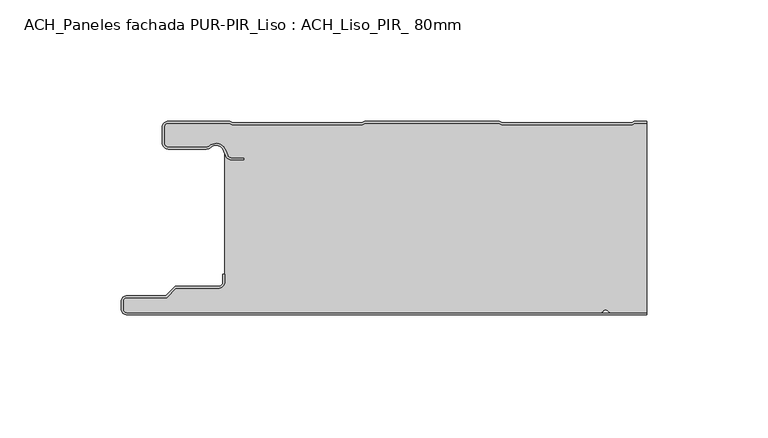
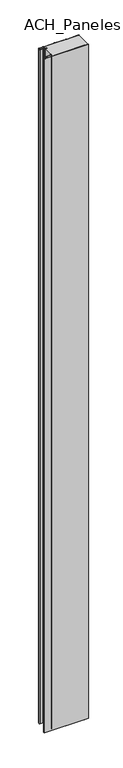
"""IFC4 building model written with IfcOpenShell, lengths in millimetres: plate geometry, ACH_Paneles fachada PUR-PIR_Liso : ACH_Liso_PIR_ 80mm."""

import ifcopenshell
import ifcopenshell.guid

model = None  # the IFC model being written
_history = None  # IfcOwnerHistory: only IFC2X3 demands one
_inside = {}  # id of a spatial element -> (the spatial element, [elements in it])
_under = {}  # id of a project, library or spatial element -> (it, [spatial elements below it])
_declared = {}  # id of a project -> (the project, [libraries it declares])
_typed = {}  # id of a type object -> (the type object, [elements of that type])
_made_of = {}  # id of a material, layer set ... -> (it, [elements and type objects made of it])


def new_model(schema):
    """Start an empty IFC model of exactly this schema.

    Asked for "IFC4X3", IfcOpenShell would pick the latest addendum, in which some entities
    have other attributes; the version numbers below select the first issue.
    IFC2X3 requires an IfcOwnerHistory on every rooted entity: one is made here for all.
    """
    global model, _history
    if schema == "IFC4X3":
        model = ifcopenshell.file(schema_version=(4, 3, 0, 0))
    else:
        model = ifcopenshell.file(schema=schema)
    _inside.clear()
    _under.clear()
    _declared.clear()
    _typed.clear()
    _made_of.clear()
    _history = None
    if model.schema == "IFC2X3":
        org = make("IfcOrganization", Name="unknown")
        user = make(
            "IfcPersonAndOrganization",
            ThePerson=make("IfcPerson", FamilyName="unknown"),
            TheOrganization=org,
        )
        app = make(
            "IfcApplication",
            ApplicationDeveloper=org,
            Version="unknown",
            ApplicationFullName="unknown",
            ApplicationIdentifier="unknown",
        )
        _history = make(
            "IfcOwnerHistory",
            OwningUser=user,
            OwningApplication=app,
            ChangeAction="ADDED",
            CreationDate=0,
        )
    return model


def make(cls, **values):
    """One entity of the class cls with the attributes given. An attribute that is None is left unset."""
    return model.create_entity(
        cls, **{name: value for name, value in values.items() if value is not None}
    )


def rooted(cls, **values):
    """An entity with a GlobalId (a new one), such as an element, a storey or a relation."""
    return make(cls, GlobalId=ifcopenshell.guid.new(), OwnerHistory=_history, **values)


def si_unit(unit_type, name, prefix=None):
    """IfcSIUnit, for example si_unit("LENGTHUNIT", "METRE", prefix="MILLI")."""
    return make("IfcSIUnit", UnitType=unit_type, Prefix=prefix, Name=name)


def assignment(units):
    """IfcUnitAssignment: the units of a project."""
    return None if units is None else make("IfcUnitAssignment", Units=units)


def point(xyz):
    """IfcCartesianPoint."""
    return None if xyz is None else make("IfcCartesianPoint", Coordinates=xyz)


def direction(xyz):
    """IfcDirection."""
    return None if xyz is None else make("IfcDirection", DirectionRatios=xyz)


def frame(location, z_axis=None, x_axis=None):
    """IfcAxis2Placement3D, a coordinate frame: its origin and axes. An axis left out is left unset."""
    return make(
        "IfcAxis2Placement3D",
        Location=point(location),
        Axis=direction(z_axis),
        RefDirection=direction(x_axis),
    )


def frame_2d(location, x_axis=None):
    """IfcAxis2Placement2D, a coordinate frame in the plane: its origin and x axis."""
    return make(
        "IfcAxis2Placement2D", Location=point(location), RefDirection=direction(x_axis)
    )


def origin():
    """The frame at (0, 0, 0) with its axes left unset."""
    return frame((0.0, 0.0, 0.0))


def origin_with_axes():
    """The frame at (0, 0, 0) with the z axis (0, 0, 1) and the x axis (1, 0, 0) written out."""
    return frame((0.0, 0.0, 0.0), z_axis=(0.0, 0.0, 1.0), x_axis=(1.0, 0.0, 0.0))


def place(relative_to, where):
    """IfcLocalPlacement: puts the frame where relative to a parent placement (None: the world)."""
    return make(
        "IfcLocalPlacement", PlacementRelTo=relative_to, RelativePlacement=where
    )


def context(
    kind, dimensions, precision=None, world=None, true_north=None, identifier=None
):
    """IfcGeometricRepresentationContext, for example the 3D "Model" context."""
    return make(
        "IfcGeometricRepresentationContext",
        ContextIdentifier=identifier,
        ContextType=kind,
        CoordinateSpaceDimension=dimensions,
        Precision=precision,
        WorldCoordinateSystem=world,
        TrueNorth=true_north,
    )


def project(units=None, contexts=None):
    """IfcProject with its units and contexts."""
    return rooted(
        "IfcProject",
        Name="project",
        RepresentationContexts=contexts,
        UnitsInContext=assignment(units),
    )


def spatial(cls, under=None, at=None, **own):
    """A site, building, storey or space (cls), placed at a placement, below another one or the project."""
    s = rooted(cls, ObjectPlacement=at, **own)
    if under is not None:
        _under.setdefault(under.id(), (under, []))[1].append(s)
    return s


def polyline(points):
    """IfcPolyline through the points."""
    return make("IfcPolyline", Points=[point(p) for p in points])


def circle_curve(where, radius):
    """IfcCircle in the frame where."""
    return make("IfcCircle", Position=where, Radius=radius)


def trimmed(basis, trim1, trim2, sense, master):
    """IfcTrimmedCurve: the piece of a basis curve between two trims."""
    return make(
        "IfcTrimmedCurve",
        BasisCurve=basis,
        Trim1=trim1,
        Trim2=trim2,
        SenseAgreement=sense,
        MasterRepresentation=master,
    )


def segment(curve, same_sense, transition):
    """IfcCompositeCurveSegment."""
    return make(
        "IfcCompositeCurveSegment",
        Transition=transition,
        SameSense=same_sense,
        ParentCurve=curve,
    )


def composite_curve(segments, self_intersect=None):
    """IfcCompositeCurve: segments joined end to end."""
    return make("IfcCompositeCurve", Segments=segments, SelfIntersect=self_intersect)


def outline(outer, holes=None, kind="AREA"):
    """IfcArbitraryClosedProfileDef: a profile drawn as a closed curve; with holes, ...WithVoids."""
    if holes is None:
        return make("IfcArbitraryClosedProfileDef", ProfileType=kind, OuterCurve=outer)
    return make(
        "IfcArbitraryProfileDefWithVoids",
        ProfileType=kind,
        OuterCurve=outer,
        InnerCurves=holes,
    )


def extrude(swept, where, along, depth):
    """IfcExtrudedAreaSolid: the profile swept, set in the frame where, extruded along a direction by depth."""
    return make(
        "IfcExtrudedAreaSolid",
        SweptArea=swept,
        Position=where,
        ExtrudedDirection=direction(along),
        Depth=depth,
    )


def shape(context_of_items, identifier, shape_type, items):
    """IfcShapeRepresentation: the items that make up one representation, for example the "Body"."""
    return make(
        "IfcShapeRepresentation",
        ContextOfItems=context_of_items,
        RepresentationIdentifier=identifier,
        RepresentationType=shape_type,
        Items=items,
    )


def source(mapping_origin, context_of_items, identifier, shape_type, items):
    """IfcRepresentationMap: a shape defined once, which mapped items show again and again."""
    return make(
        "IfcRepresentationMap",
        MappingOrigin=mapping_origin,
        MappedRepresentation=shape(context_of_items, identifier, shape_type, items),
    )


def transform(
    local_origin,
    x_axis=None,
    y_axis=None,
    z_axis=None,
    scale=None,
    scale2=None,
    scale3=None,
    uniform=True,
):
    """IfcCartesianTransformationOperator3D, or its non-uniform kind. x_axis, y_axis, z_axis: its Axis1, 2, 3."""
    if uniform:
        return make(
            "IfcCartesianTransformationOperator3D",
            Axis1=direction(x_axis),
            Axis2=direction(y_axis),
            LocalOrigin=point(local_origin),
            Scale=scale,
            Axis3=direction(z_axis),
        )
    return make(
        "IfcCartesianTransformationOperator3DnonUniform",
        Axis1=direction(x_axis),
        Axis2=direction(y_axis),
        LocalOrigin=point(local_origin),
        Scale=scale,
        Axis3=direction(z_axis),
        Scale2=scale2,
        Scale3=scale3,
    )


def mapped(mapping_source, mapping_target):
    """IfcMappedItem: shows the shape of a source again, moved by a transform."""
    return make(
        "IfcMappedItem", MappingSource=mapping_source, MappingTarget=mapping_target
    )


def made_of(thing, what):
    """Note that an element or type object is made of a material, layer set ...; save() writes the relation."""
    if what is not None:
        _made_of.setdefault(what.id(), (what, []))[1].append(thing)
    return thing


def element(
    cls,
    number,
    at=None,
    inside=None,
    cuts=None,
    type_object=None,
    material=None,
    context=None,
    identifier="Body",
    shape_type=None,
    held_by="IfcProductDefinitionShape",
    body=None,
    shapes=None,
    **own,
):
    """One element of the class cls, such as IfcWall. Its Tag is "e" and its number.

    at: its placement. inside: the storey or other place that contains it. cuts: it is an
    opening in that element (IfcRelVoidsElement). A single representation is given by context,
    identifier, shape_type and body (its items); several are given by shapes. held_by: the class
    of the entity that holds the representations. save() writes the other relations.
    """
    e = rooted(cls, Tag="e%d" % number, ObjectPlacement=at, **own)
    if body is not None:
        shapes = [shape(context, identifier, shape_type, body)]
    if shapes is not None:
        e.Representation = make(held_by, Representations=shapes)
    if inside is not None:
        _inside.setdefault(inside.id(), (inside, []))[1].append(e)
    if cuts is not None:
        rooted(
            "IfcRelVoidsElement", RelatingBuildingElement=cuts, RelatedOpeningElement=e
        )
    if type_object is not None:
        _typed.setdefault(type_object.id(), (type_object, []))[1].append(e)
    return made_of(e, material)


def aggregate(whole, parts):
    """IfcRelAggregates: a whole, such as a stair, and the parts it consists of."""
    return rooted("IfcRelAggregates", RelatingObject=whole, RelatedObjects=parts)


def save(model, path):
    """Write the relations noted so far, then the file.

    IfcRelAggregates (storeys below a building ...), IfcRelContainedInSpatialStructure (elements
    in a storey), IfcRelDefinesByType, IfcRelAssociatesMaterial and IfcRelDeclares: one each for
    every whole, place, type object, material and project.
    """
    for whole, parts in _under.values():
        aggregate(whole, parts)
    for where, things in _inside.values():
        rooted(
            "IfcRelContainedInSpatialStructure",
            RelatedElements=things,
            RelatingStructure=where,
        )
    for kind, things in _typed.values():
        rooted("IfcRelDefinesByType", RelatedObjects=things, RelatingType=kind)
    for what, things in _made_of.values():
        rooted("IfcRelAssociatesMaterial", RelatedObjects=things, RelatingMaterial=what)
    for by, libraries in _declared.values():
        rooted("IfcRelDeclares", RelatingContext=by, RelatedDefinitions=libraries)
    model.write(path)


def ach_paneles_fachada_pur_pir_liso_ach_liso_pir_80mm_c47096a8(model_context):
    return source(origin(), model_context, "Body", "SweptSolid", [
        extrude(outline(composite_curve([segment(trimmed(circle_curve(frame_2d((-114.5, -77.5)), 2.5), [point((-114.5, -80.0))], [point((-117.0, -77.5))], False, "CARTESIAN"), True, "CONTINUOUS"), segment(polyline([(-117.0, -77.5), (-117.0, -74.5)]), True, "CONTINUOUS"), segment(trimmed(circle_curve(frame_2d((-114.5, -74.5)), 2.5), [point((-117.0, -74.5))], [point((-114.5, -72.0))], False, "CARTESIAN"), True, "CONTINUOUS"), segment(polyline([(-114.5, -72.0), (-98.5, -72.0), (-94.75, -68.25), (-77.0, -68.25)]), True, "CONTINUOUS"), segment(trimmed(circle_curve(frame_2d((-77.0, -66.25)), 2.0), [point((-77.0, -68.25))], [point((-75.0, -66.25))], True, "CARTESIAN"), True, "CONTINUOUS"), segment(polyline([(-75.0, -66.25), (-75.0, -63.25), (-74.2, -63.25), (-74.2, -66.25)]), True, "CONTINUOUS"), segment(trimmed(circle_curve(frame_2d((-77.0, -66.25)), 2.8), [point((-74.2, -66.25))], [point((-77.0, -69.05))], False, "CARTESIAN"), True, "CONTINUOUS"), segment(polyline([(-77.0, -69.05), (-94.4186292, -69.05), (-98.1686292, -72.8), (-114.5, -72.8)]), True, "CONTINUOUS"), segment(trimmed(circle_curve(frame_2d((-114.5, -74.5)), 1.7), [point((-114.5, -72.8))], [point((-116.2, -74.5))], True, "CARTESIAN"), True, "CONTINUOUS"), segment(polyline([(-116.2, -74.5), (-116.2, -77.5)]), True, "CONTINUOUS"), segment(trimmed(circle_curve(frame_2d((-114.5, -77.5)), 1.7), [point((-116.2, -77.5))], [point((-114.5, -79.2))], True, "CARTESIAN"), True, "CONTINUOUS"), segment(polyline([(-114.5, -79.2), (100.0, -79.2), (100.0, -80.0), (-114.5, -80.0)]), True, "CONTINUOUS")], self_intersect=False)), origin_with_axes(), (0.0, 0.0, 1.0), 3500.0),
        extrude(outline(composite_curve([segment(trimmed(circle_curve(frame_2d((-97.49499, -9.0180361)), 2.50501), [point((-97.49499, -11.5230461))], [point((-100.0, -9.0180361))], False, "CARTESIAN"), True, "CONTINUOUS"), segment(polyline([(-100.0, -9.0180361), (-100.0, -2.50501)]), True, "CONTINUOUS"), segment(trimmed(circle_curve(frame_2d((-97.49499, -2.50501)), 2.50501), [point((-100.0, -2.50501))], [point((-97.49499, 0.0))], False, "CARTESIAN"), True, "CONTINUOUS"), segment(polyline([(-97.49499, 0.0), (-72.2103007, 0.0), (-71.028188, -0.6012024), (-17.6391467, -0.6012024), (-16.457034, 0.0), (39.1223647, 0.0), (40.3044773, -0.6012024), (93.6935186, -0.6012024), (94.8756313, 0.0), (100.0, 0.0), (100.0, -0.8), (95.0673777, -0.8), (93.885265, -1.4012024), (40.112731, -1.4012024), (38.9306183, -0.8), (-16.2652876, -0.8), (-17.4474003, -1.4012024), (-71.2199344, -1.4012024), (-72.4020471, -0.8), (-97.49499, -0.8)]), True, "CONTINUOUS"), segment(trimmed(circle_curve(frame_2d((-97.49499, -2.50501)), 1.70501), [point((-97.49499, -0.8))], [point((-99.2, -2.50501))], True, "CARTESIAN"), True, "CONTINUOUS"), segment(polyline([(-99.2, -2.50501), (-99.2, -9.0180361)]), True, "CONTINUOUS"), segment(trimmed(circle_curve(frame_2d((-97.49499, -9.0180361)), 1.70501), [point((-99.2, -9.0180361))], [point((-97.49499, -10.7230461))], True, "CARTESIAN"), True, "CONTINUOUS"), segment(polyline([(-97.49499, -10.7230461), (-81.8173283, -10.7230461)]), True, "CONTINUOUS"), segment(trimmed(circle_curve(frame_2d((-81.8173283, -9.0180361)), 1.70501), [point((-81.8173283, -10.7230461))], [point((-80.6895701, -10.2967936))], True, "CARTESIAN"), True, "CONTINUOUS"), segment(trimmed(circle_curve(frame_2d((-77.8407481, -13.5270541)), 4.307014), [point((-80.6895701, -10.2967936))], [point((-73.7934788, -12.0539686))], False, "CARTESIAN"), True, "CONTINUOUS"), segment(polyline([(-73.7934788, -12.0539686), (-73.0450711, -14.1102019)]), True, "CONTINUOUS"), segment(trimmed(circle_curve(frame_2d((-71.4428858, -13.5270541)), 1.70501), [point((-73.0450711, -14.1102019))], [point((-71.4428858, -15.2320641))], True, "CARTESIAN"), True, "CONTINUOUS"), segment(polyline([(-71.4428858, -15.2320641), (-66.4328657, -15.2320641), (-66.4328657, -16.0320641), (-71.4428858, -16.0320641)]), True, "CONTINUOUS"), segment(trimmed(circle_curve(frame_2d((-71.4428858, -13.5270541)), 2.50501), [point((-71.4428858, -16.0320641))], [point((-73.7968252, -14.383818))], False, "CARTESIAN"), True, "CONTINUOUS"), segment(polyline([(-73.7968252, -14.383818), (-74.5452329, -12.3275847)]), True, "CONTINUOUS"), segment(trimmed(circle_curve(frame_2d((-77.8407481, -13.5270541)), 3.507014), [point((-74.5452329, -12.3275847))], [point((-80.1604199, -10.8967936))], True, "CARTESIAN"), True, "CONTINUOUS"), segment(trimmed(circle_curve(frame_2d((-81.8173283, -9.0180361)), 2.50501), [point((-80.1604199, -10.8967936))], [point((-81.8173283, -11.5230461))], False, "CARTESIAN"), True, "CONTINUOUS"), segment(polyline([(-81.8173283, -11.5230461), (-97.49499, -11.5230461)]), True, "CONTINUOUS")], self_intersect=False)), origin_with_axes(), (0.0, 0.0, 1.0), 3500.0),
        extrude(outline(composite_curve([segment(trimmed(circle_curve(frame_2d((85.5, -77.5)), 1.7), [point((85.5, -79.2))], [point((84.0845596, -78.4415563))], False, "CARTESIAN"), True, "CONTINUOUS"), segment(trimmed(circle_curve(frame_2d((83.0, -79.1630095)), 1.302599), [point((84.0845596, -78.4415563))], [point((81.9154404, -78.4415563))], True, "CARTESIAN"), True, "CONTINUOUS"), segment(trimmed(circle_curve(frame_2d((80.5, -77.5)), 1.7), [point((81.9154404, -78.4415563))], [point((80.5, -79.2))], False, "CARTESIAN"), True, "CONTINUOUS"), segment(polyline([(80.5, -79.2), (-114.5, -79.2)]), True, "CONTINUOUS"), segment(trimmed(circle_curve(frame_2d((-114.5, -77.5)), 1.7), [point((-114.5, -79.2))], [point((-116.2, -77.5))], False, "CARTESIAN"), True, "CONTINUOUS"), segment(polyline([(-116.2, -77.5), (-116.2, -74.5)]), True, "CONTINUOUS"), segment(trimmed(circle_curve(frame_2d((-114.5, -74.5)), 1.7), [point((-116.2, -74.5))], [point((-114.5, -72.8))], False, "CARTESIAN"), True, "CONTINUOUS"), segment(polyline([(-114.5, -72.8), (-98.1686292, -72.8), (-94.4186292, -69.05), (-77.0, -69.05)]), True, "CONTINUOUS"), segment(trimmed(circle_curve(frame_2d((-77.0, -66.25)), 2.8), [point((-77.0, -69.05))], [point((-74.2, -66.25))], True, "CARTESIAN"), True, "CONTINUOUS"), segment(polyline([(-74.2, -66.25), (-74.2, -11.2258973)]), True, "CONTINUOUS"), segment(trimmed(circle_curve(frame_2d((-77.8407481, -13.5270541)), 4.307014), [point((-74.2, -11.2258973))], [point((-80.6895701, -10.2967936))], True, "CARTESIAN"), True, "CONTINUOUS"), segment(trimmed(circle_curve(frame_2d((-81.8173283, -9.0180361)), 1.70501), [point((-80.6895701, -10.2967936))], [point((-81.8173283, -10.7230461))], False, "CARTESIAN"), True, "CONTINUOUS"), segment(polyline([(-81.8173283, -10.7230461), (-97.49499, -10.7230461)]), True, "CONTINUOUS"), segment(trimmed(circle_curve(frame_2d((-97.49499, -9.0180361)), 1.70501), [point((-97.49499, -10.7230461))], [point((-99.2, -9.0180361))], False, "CARTESIAN"), True, "CONTINUOUS"), segment(polyline([(-99.2, -9.0180361), (-99.2, -2.50501)]), True, "CONTINUOUS"), segment(trimmed(circle_curve(frame_2d((-97.49499, -2.50501)), 1.70501), [point((-99.2, -2.50501))], [point((-97.49499, -0.8))], False, "CARTESIAN"), True, "CONTINUOUS"), segment(polyline([(-97.49499, -0.8), (-72.4020471, -0.8), (-71.2199344, -1.4012024), (-17.4474003, -1.4012024), (-16.2652876, -0.8), (38.9306183, -0.8), (40.112731, -1.4012024), (93.885265, -1.4012024), (95.0673777, -0.8), (100.0, -0.8), (100.0, -79.2), (85.5, -79.2)]), True, "CONTINUOUS")], self_intersect=False)), origin_with_axes(), (0.0, 0.0, 1.0), 3500.0),
    ])


if __name__ == "__main__":
    model = new_model("IFC4")
    model_context = context("Model", 3, world=origin())
    ifc_project = project(units=[si_unit("LENGTHUNIT", "METRE", prefix="MILLI")], contexts=[model_context])
    site = spatial("IfcSite", under=ifc_project)
    building = spatial("IfcBuilding", under=site)
    placement = place(None, origin())
    ach_paneles_fachada_pur_pir_liso_ach_liso_pir_80mm_shape = ach_paneles_fachada_pur_pir_liso_ach_liso_pir_80mm_c47096a8(model_context)
    element("IfcPlate", 1, ObjectType="ACH_Paneles fachada PUR-PIR_Liso : ACH_Liso_PIR_ 80mm", at=placement, inside=building, context=model_context, shape_type="MappedRepresentation", body=[
        mapped(ach_paneles_fachada_pur_pir_liso_ach_liso_pir_80mm_shape, transform((0.0, 0.0, 0.0), x_axis=(1.0, 0.0, 0.0), y_axis=(0.0, 1.0, 0.0), z_axis=(0.0, 0.0, 1.0))),
    ])
    save(model, "model.ifc")
